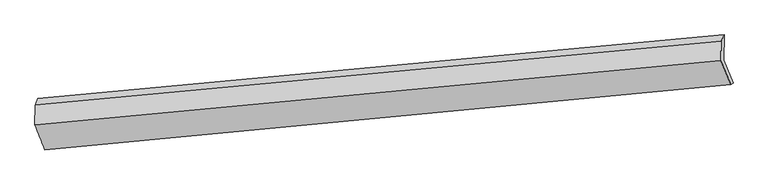
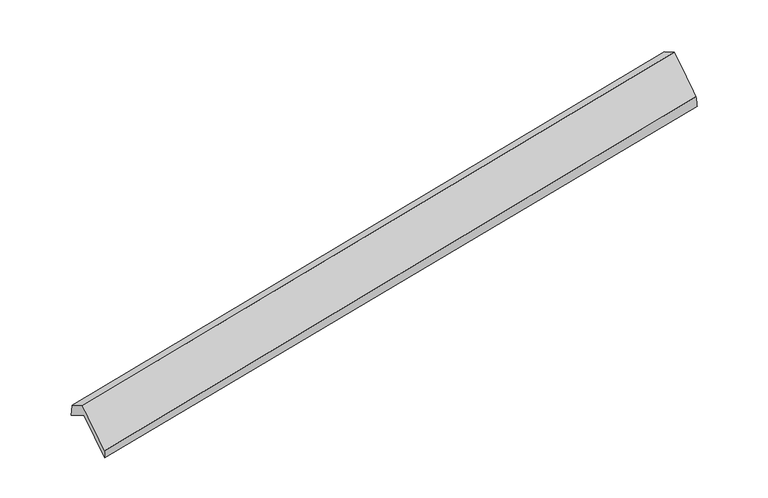
"""IFC4 building model written with IfcOpenShell, lengths in millimetres: proxy geometry."""

from ifc_helpers import new_model, si_unit, frame, origin, place, context, project, spatial, source, transform, mapped, element, save
from ifc_brep_helpers import plane_surface, spline_surface, advanced_brep


def generic_models_a1e909de(model_context):
    return source(origin(), model_context, "Body", "AdvancedBrep", [
        advanced_brep(
        [(-8615.9412959, -1710.2413798, 1060.8265243), (-8621.3667992, -2036.2643999, 1251.9128241), (2746.2421729, -971.5440982, 3413.2711827), (2751.6939017, -643.9451616, 3221.2612178), (-8458.405877, -2454.6281241, 585.8911543), (2911.711419, -1368.3005425, 2741.0409892), (-8430.7283645, -2405.6911141, 413.1522685), (2949.8353718, -1338.653278, 2525.7982925), (-8583.3000585, -2032.3351903, 1045.8237249), (2793.5649427, -963.9534394, 3160.6576592), (-8576.1394342, -1602.0473001, 793.6264391), (2800.6028589, -541.0391824, 2912.782155)],
        [
            (0, 1),
            (1, 2),
            (2, 3),
            (3, 0),
            (1, 4),
            (4, 5),
            (5, 2),
            (4, 6),
            (6, 7),
            (7, 5),
            (6, 8),
            (8, 9),
            (9, 7),
            (8, 10),
            (10, 11),
            (11, 9),
            (10, 0),
            (3, 11),
        ],
        [
            plane_surface(frame((-8618.6540476, -1873.2528898, 1156.3696742), z_axis=(-0.20678022332091556, 0.4972895325646174, 0.842582375821508), x_axis=(-0.01435567405822537, -0.8626444425997774, 0.505607041361227))),
            spline_surface(1, 1, [[(-8621.3667992, -2036.2643999, 1251.9128241), (2746.2421729, -971.5440982, 3413.2711827)], [(-8458.405877, -2454.6281241, 585.8911543), (2911.711419, -1368.3005425, 2741.0409892)]], [2, 2], [2, 2], [0.0, 1.0], [0.0, 1.0]),
            spline_surface(1, 1, [[(-8458.405877, -2454.6281241, 585.8911543), (2911.711419, -1368.3005425, 2741.0409892)], [(-8430.7283645, -2405.6911141, 413.1522685), (2949.8353718, -1338.653278, 2525.7982925)]], [2, 2], [2, 2], [0.0, 1.0], [0.0, 1.0]),
            spline_surface(1, 1, [[(-8430.7283645, -2405.6911141, 413.1522685), (2949.8353718, -1338.653278, 2525.7982925)], [(-8583.3000585, -2032.3351903, 1045.8237249), (2793.5649427, -963.9534394, 3160.6576592)]], [2, 2], [2, 2], [0.0, 1.0], [0.0, 1.0]),
            plane_surface(frame((-8579.7197463, -1817.1912452, 919.725082), z_axis=(0.20347118760395128, -0.49759930236980415, -0.8432048446825493), x_axis=(0.014355674058213105, 0.8626444425997976, -0.5056070413611929))),
            spline_surface(1, 1, [[(-8576.1394342, -1602.0473001, 793.6264391), (2800.6028589, -541.0391824, 2912.782155)], [(-8615.9412959, -1710.2413798, 1060.8265243), (2751.6939017, -643.9451616, 3221.2612178)]], [2, 2], [2, 2], [0.0, 1.0], [0.0, 1.0]),
            plane_surface(frame((2825.6084445, -971.2392837, 2995.8019161), z_axis=(0.9781564739756203, 0.09275535301646012, 0.18602783906279655), x_axis=(0.014355674058213105, 0.8626444425997976, -0.5056070413611929))),
            plane_surface(frame((-8547.6469716, -2040.2012514, 858.5388225), z_axis=(-0.9790012098708534, -0.09070924756776946, -0.18256084869734437), x_axis=(0.13677209294467227, 0.371789913466342, -0.9181860676552569))),
        ],
        [
            (0, [[1, 2, 3, 4]]),
            (1, [[5, 6, 7, -2]]),
            (2, [[8, 9, 10, -6]]),
            (3, [[11, 12, 13, -9]]),
            (4, [[14, 15, 16, -12]]),
            (5, [[17, -4, 18, -15]]),
            (6, [[-16, -18, -3, -7, -10, -13]]),
            (7, [[-17, -14, -11, -8, -5, -1]]),
        ],
    ),
    ])


if __name__ == "__main__":
    model = new_model("IFC4")
    model_context = context("Model", 3, world=origin())
    ifc_project = project(units=[si_unit("LENGTHUNIT", "METRE", prefix="MILLI")], contexts=[model_context])
    site = spatial("IfcSite", under=ifc_project)
    building = spatial("IfcBuilding", under=site)
    placement = place(None, origin())
    generic_models_shape = generic_models_a1e909de(model_context)
    element("IfcBuildingElementProxy", 1, Name="Generic Models", at=placement, inside=building, context=model_context, shape_type="MappedRepresentation", body=[
        mapped(generic_models_shape, transform((0.0, 0.0, 0.0), x_axis=(1.0, 0.0, 0.0), y_axis=(0.0, 1.0, 0.0), z_axis=(0.0, 0.0, 1.0))),
    ])
    save(model, "model.ifc")
